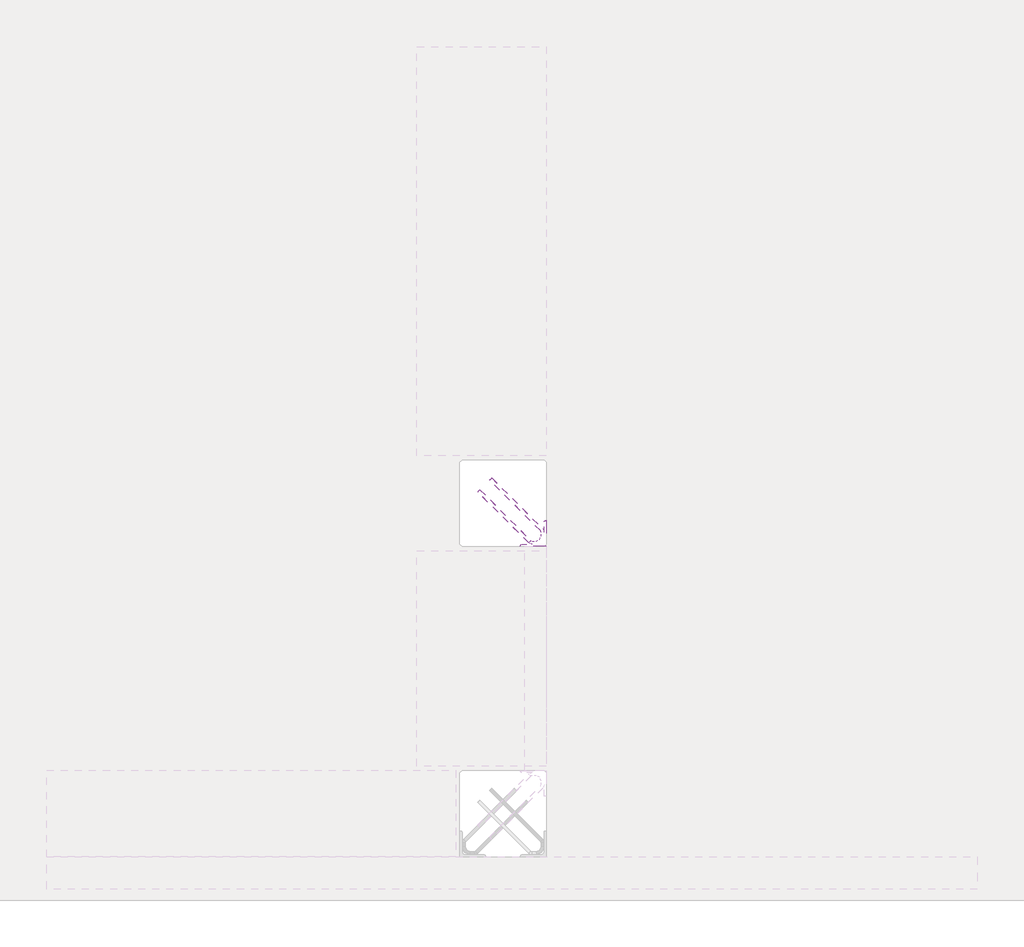
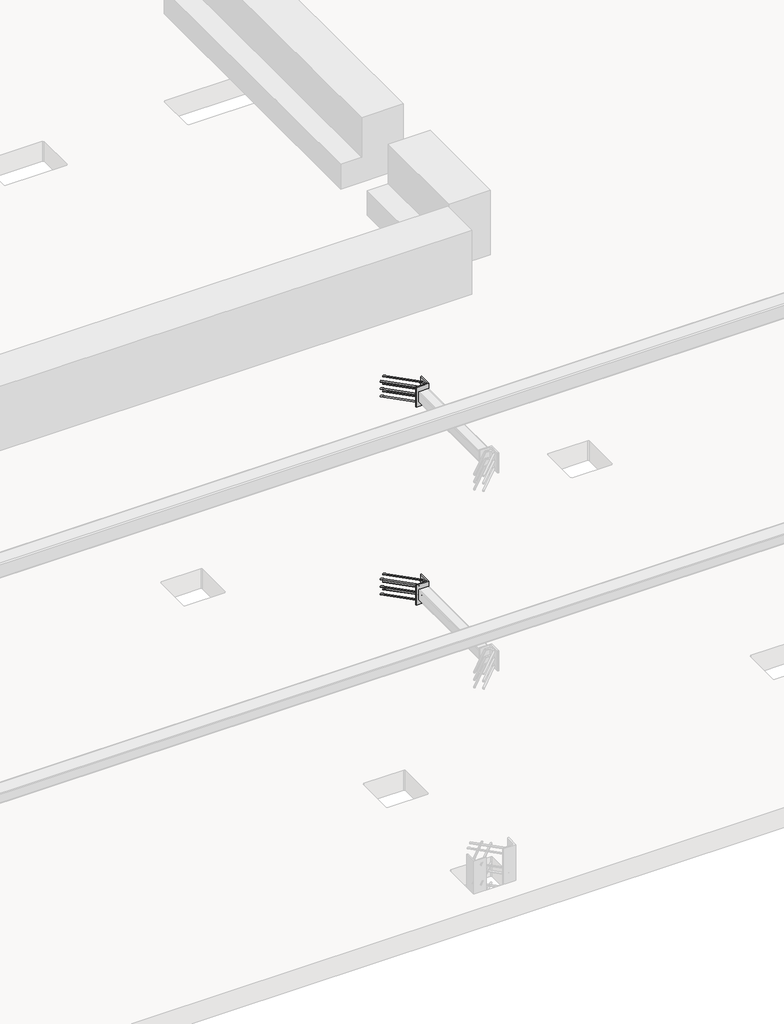
# One storey, part 19 of 65: 2 fasteners.
"""IFC4 building model written with IfcOpenShell, lengths in millimetres."""

from ifc_helpers import new_model, si_unit, point, frame, frame_2d, origin, place, context, project, spatial, polyline, circle_curve, ellipse_curve, trimmed, segment, composite_curve, outline, extrude, element, save
from ifc_brep_helpers import plane_surface, cylinder_surface, revolved_surface, advanced_brep

model = new_model("IFC4")

# Units and contexts
model_context = context("Model", 3, world=origin())
ifc_project = project(units=[si_unit("LENGTHUNIT", "METRE", prefix="MILLI")], contexts=[model_context])

# Site, building, storey
site = spatial("IfcSite", under=ifc_project)
building = spatial("IfcBuilding", under=site)
storey = spatial("IfcBuildingStorey", under=building, Elevation=0.0)

# Fasteners
placement = place(None, origin())
element("IfcFastener", 1, at=placement, inside=storey, context=model_context, shape_type="SolidModel", body=[
    extrude(outline(composite_curve([segment(polyline([(35350.0, 11240.0), (35230.0, 11240.0), (35230.0, 11243.5)]), True, "CONTINUOUS"), segment(trimmed(circle_curve(frame_2d((35236.5, 11243.5)), 6.5), [point((35230.0, 11243.5))], [point((35236.5, 11250.0))], False, "CARTESIAN"), True, "CONTINUOUS"), segment(polyline([(35236.5, 11250.0), (35327.0, 11250.0)]), True, "CONTINUOUS"), segment(trimmed(circle_curve(frame_2d((35327.0, 11263.0)), 13.0), [point((35327.0, 11250.0))], [point((35340.0, 11263.0))], True, "CARTESIAN"), True, "CONTINUOUS"), segment(polyline([(35340.0, 11263.0), (35340.0, 11353.5)]), True, "CONTINUOUS"), segment(trimmed(circle_curve(frame_2d((35346.5, 11353.5)), 6.5), [point((35340.0, 11353.5))], [point((35346.5, 11360.0))], False, "CARTESIAN"), True, "CONTINUOUS"), segment(polyline([(35346.5, 11360.0), (35350.0, 11360.0), (35350.0, 11240.0)]), True, "CONTINUOUS")], self_intersect=False)), frame((0.0, 0.0, 1950.0), z_axis=(0.0, 0.0, 1.0), x_axis=(1.0, 0.0, 0.0)), (0.0, 0.0, 1.0), 200.0),
    advanced_brep(
    [(35097.4623741, 11557.4371209, 2125.0), (35087.5628791, 11547.5376259, 2125.0), (35032.5628791, 11492.5376259, 2125.0), (35042.4623741, 11502.4371209, 2125.0), (35303.0, 11264.0, 2125.0), (35303.0, 11250.0, 2125.0), (35284.2132034, 11250.0, 2125.0), (35284.2132034, 11264.0, 2125.0), (35326.0, 11287.0, 2125.0), (35340.0, 11287.0, 2125.0), (35326.0, 11305.7867966, 2125.0), (35340.0, 11305.7867966, 2125.0), (35333.5563492, 11321.3431458, 2125.0), (35323.6568543, 11311.4436508, 2125.0), (35278.5563492, 11266.3431458, 2125.0), (35268.6568543, 11256.4436508, 2125.0)],
    [
        (0, 1, circle_curve(frame((35092.5126266, 11552.4873734, 2125.0), z_axis=(-0.7071067811865459, 0.7071067811865493, 0.0), x_axis=(-0.7071067811865493, -0.7071067811865459, 0.0)), 7.0)),
        (1, 0, circle_curve(frame((35092.5126266, 11552.4873734, 2125.0), z_axis=(-0.7071067811865459, 0.7071067811865493, 0.0), x_axis=(-0.7071067811865493, -0.7071067811865459, 0.0)), 7.0)),
        (2, 3, circle_curve(frame((35037.5126266, 11497.4873734, 2125.0), z_axis=(-0.7071067811865457, 0.7071067811865493, 0.0), x_axis=(0.7071067811865493, 0.7071067811865457, 0.0)), 7.0)),
        (3, 2, circle_curve(frame((35037.5126266, 11497.4873734, 2125.0), z_axis=(-0.7071067811865457, 0.7071067811865493, 0.0), x_axis=(0.7071067811865493, 0.7071067811865457, 0.0)), 7.0)),
        (4, 5, circle_curve(frame((35303.0, 11257.0, 2125.0), z_axis=(-1.0, 0.0, 0.0), x_axis=(0.0, 1.0, 0.0)), 7.0)),
        (5, 6),
        (6, 7, circle_curve(frame((35284.2132034, 11257.0, 2125.0), z_axis=(1.0, 0.0, 0.0), x_axis=(0.0, 1.0, 0.0)), 7.0)),
        (7, 4),
        (5, 4, circle_curve(frame((35303.0, 11257.0, 2125.0), z_axis=(-1.0, 0.0, 0.0), x_axis=(0.0, 1.0, 0.0)), 7.0)),
        (7, 6, circle_curve(frame((35284.2132034, 11257.0, 2125.0), z_axis=(1.0, 0.0, 0.0), x_axis=(0.0, 1.0, 0.0)), 7.0)),
        (4, 8, circle_curve(frame((35303.0, 11287.0, 2125.0), z_axis=(0.0, 0.0, 1.0), x_axis=(1.0, 0.0, 0.0)), 23.0)),
        (8, 9, circle_curve(frame((35333.0, 11287.0, 2125.0), z_axis=(0.0, -1.0, 0.0), x_axis=(-1.0, 0.0, 0.0)), 7.0)),
        (9, 5, circle_curve(frame((35303.0, 11287.0, 2125.0), z_axis=(0.0, 0.0, -1.0), x_axis=(1.0, 0.0, 0.0)), 37.0)),
        (9, 8, circle_curve(frame((35333.0, 11287.0, 2125.0), z_axis=(0.0, -1.0, 0.0), x_axis=(-1.0, 0.0, 0.0)), 7.0)),
        (10, 11, circle_curve(frame((35333.0, 11305.7867966, 2125.0), z_axis=(0.0, -1.0, 0.0), x_axis=(-1.0, 0.0, 0.0)), 7.0)),
        (11, 9),
        (8, 10),
        (11, 10, circle_curve(frame((35333.0, 11305.7867966, 2125.0), z_axis=(0.0, -1.0, 0.0), x_axis=(-1.0, 0.0, 0.0)), 7.0)),
        (0, 12),
        (12, 13, circle_curve(frame((35328.6066017, 11316.3933983, 2125.0), z_axis=(-0.7071067811865459, 0.7071067811865493, 0.0), x_axis=(-0.7071067811865493, -0.7071067811865459, 0.0)), 7.0)),
        (13, 1),
        (13, 12, circle_curve(frame((35328.6066017, 11316.3933983, 2125.0), z_axis=(-0.7071067811865459, 0.7071067811865493, 0.0), x_axis=(-0.7071067811865493, -0.7071067811865459, 0.0)), 7.0)),
        (10, 13, circle_curve(frame((35318.0, 11305.7867966, 2125.0), z_axis=(0.0, 0.0, 1.0), x_axis=(0.7071067811865491, 0.7071067811865459, 0.0)), 8.0)),
        (12, 11, circle_curve(frame((35318.0, 11305.7867966, 2125.0), z_axis=(0.0, 0.0, -1.0), x_axis=(0.7071067811865491, 0.7071067811865459, 0.0)), 22.0)),
        (14, 7, circle_curve(frame((35284.2132034, 11272.0, 2125.0), z_axis=(0.0, 0.0, 1.0), x_axis=(0.0, -1.0, 0.0)), 8.0)),
        (6, 15, circle_curve(frame((35284.2132034, 11272.0, 2125.0), z_axis=(0.0, 0.0, -1.0), x_axis=(0.0, -1.0, 0.0)), 22.0)),
        (15, 14, circle_curve(frame((35273.6066017, 11261.3933983, 2125.0), z_axis=(0.7071067811865456, -0.7071067811865495, 0.0), x_axis=(0.7071067811865495, 0.7071067811865456, 0.0)), 7.0)),
        (14, 15, circle_curve(frame((35273.6066017, 11261.3933983, 2125.0), z_axis=(0.707106781186545, -0.70710678118655, 0.0), x_axis=(0.70710678118655, 0.707106781186545, 0.0)), 7.0)),
        (15, 2),
        (3, 14),
    ],
    [
        plane_surface(frame((35092.5126266, 11552.4873734, 2125.0), z_axis=(-0.7071067811865459, 0.7071067811865493, 0.0), x_axis=(0.0, 0.0, -1.0))),
        plane_surface(frame((35037.5126266, 11497.4873734, 2125.0), z_axis=(-0.7071067811865457, 0.7071067811865493, 0.0), x_axis=(0.0, 0.0, -1.0))),
        cylinder_surface(frame((35303.0, 11257.0, 2125.0), z_axis=(1.0, 0.0, 0.0), x_axis=(0.0, 1.0, 0.0)), 7.0),
        revolved_surface(trimmed(ellipse_curve(frame((35333.0, 11287.0, 2125.0), z_axis=(0.0, 1.0, 0.0), x_axis=(-1.0, 0.0, 0.0)), 7.0, 7.0), [point((35340.0, 11287.0, 2125.0))], [point((35326.0, 11287.0, 2125.0))], True, "CARTESIAN"), (35303.0, 11287.0, 2125.0), (0.0, 0.0, -1.0)),
        revolved_surface(trimmed(ellipse_curve(frame((35333.0, 11287.0, 2125.0), z_axis=(0.0, 1.0, 0.0), x_axis=(-1.0, 0.0, 0.0)), 7.0, 7.0), [point((35326.0, 11287.0, 2125.0))], [point((35340.0, 11287.0, 2125.0))], True, "CARTESIAN"), (35303.0, 11287.0, 2125.0), (0.0, 0.0, -1.0)),
        cylinder_surface(frame((35333.0, 11305.7867966, 2125.0), z_axis=(0.0, 1.0, 0.0), x_axis=(-1.0, 0.0, 0.0)), 7.0),
        cylinder_surface(frame((35092.5126266, 11552.4873734, 2125.0), z_axis=(-0.7071067811865459, 0.7071067811865493, 0.0), x_axis=(-0.7071067811865493, -0.7071067811865459, 0.0)), 7.0),
        revolved_surface(trimmed(ellipse_curve(frame((35328.6066017, 11316.3933983, 2125.0), z_axis=(-0.7071067811865459, 0.7071067811865491, 0.0), x_axis=(-0.7071067811865491, -0.7071067811865459, 0.0)), 7.0, 7.0), [point((35333.5563492, 11321.3431458, 2125.0))], [point((35323.6568543, 11311.4436508, 2125.0))], True, "CARTESIAN"), (35318.0, 11305.7867966, 2125.0), (0.0, 0.0, -1.0)),
        revolved_surface(trimmed(ellipse_curve(frame((35328.6066017, 11316.3933983, 2125.0), z_axis=(-0.7071067811865459, 0.7071067811865491, 0.0), x_axis=(-0.7071067811865491, -0.7071067811865459, 0.0)), 7.0, 7.0), [point((35323.6568543, 11311.4436508, 2125.0))], [point((35333.5563492, 11321.3431458, 2125.0))], True, "CARTESIAN"), (35318.0, 11305.7867966, 2125.0), (0.0, 0.0, -1.0)),
        revolved_surface(trimmed(ellipse_curve(frame((35284.2132034, 11257.0, 2125.0), z_axis=(1.0, 0.0, 0.0), x_axis=(0.0, 1.0, 0.0)), 7.0, 7.0), [point((35284.2132034, 11250.0, 2125.0))], [point((35284.2132034, 11264.0, 2125.0))], True, "CARTESIAN"), (35284.2132034, 11272.0, 2125.0), (0.0, 0.0, -1.0)),
        revolved_surface(trimmed(ellipse_curve(frame((35284.2132034, 11257.0, 2125.0), z_axis=(1.0, 0.0, 0.0), x_axis=(0.0, 1.0, 0.0)), 7.0, 7.0), [point((35284.2132034, 11264.0, 2125.0))], [point((35284.2132034, 11250.0, 2125.0))], True, "CARTESIAN"), (35284.2132034, 11272.0, 2125.0), (0.0, 0.0, -1.0)),
        cylinder_surface(frame((35273.6066017, 11261.3933983, 2125.0), z_axis=(0.7071067811865457, -0.7071067811865493, 0.0), x_axis=(0.7071067811865493, 0.7071067811865457, 0.0)), 7.0),
    ],
    [
        (0, [[1, 2]]),
        (1, [[3, 4]]),
        (2, [[5, 6, 7, 8]]),
        (2, [[9, -8, 10, -6]]),
        (3, [[11, 12, 13, -5]]),
        (4, [[-13, 14, -11, -9]]),
        (5, [[15, 16, -12, 17]]),
        (5, [[18, -17, -14, -16]]),
        (6, [[-1, 19, 20, 21]]),
        (6, [[-2, -21, 22, -19]]),
        (7, [[23, -20, 24, -15]]),
        (8, [[-24, -22, -23, -18]]),
        (9, [[25, -7, 26, 27]]),
        (10, [[-26, -10, -25, 28]]),
        (11, [[-27, 29, -4, 30]]),
        (11, [[-28, -30, -3, -29]]),
    ],
),
    advanced_brep(
    [(35087.5628791, 11547.5376259, 1975.0), (35097.4623741, 11557.4371209, 1975.0), (35042.4623741, 11502.4371209, 1975.0), (35032.5628791, 11492.5376259, 1975.0), (35303.0, 11250.0, 1975.0), (35303.0, 11264.0, 1975.0), (35284.2132034, 11264.0, 1975.0), (35284.2132034, 11250.0, 1975.0), (35340.0, 11287.0, 1975.0), (35326.0, 11287.0, 1975.0), (35340.0, 11305.7867966, 1975.0), (35326.0, 11305.7867966, 1975.0), (35323.6568543, 11311.4436508, 1975.0), (35333.5563492, 11321.3431458, 1975.0), (35268.6568543, 11256.4436508, 1975.0), (35278.5563492, 11266.3431458, 1975.0)],
    [
        (0, 1, circle_curve(frame((35092.5126266, 11552.4873734, 1975.0), z_axis=(-0.7071067811865459, 0.7071067811865493, 0.0), x_axis=(0.7071067811865493, 0.7071067811865459, 0.0)), 7.0)),
        (1, 0, circle_curve(frame((35092.5126266, 11552.4873734, 1975.0), z_axis=(-0.7071067811865459, 0.7071067811865493, 0.0), x_axis=(0.7071067811865493, 0.7071067811865459, 0.0)), 7.0)),
        (2, 3, circle_curve(frame((35037.5126266, 11497.4873734, 1975.0), z_axis=(-0.7071067811865458, 0.7071067811865493, 0.0), x_axis=(-0.7071067811865493, -0.7071067811865458, 0.0)), 7.0)),
        (3, 2, circle_curve(frame((35037.5126266, 11497.4873734, 1975.0), z_axis=(-0.7071067811865458, 0.7071067811865493, 0.0), x_axis=(-0.7071067811865493, -0.7071067811865458, 0.0)), 7.0)),
        (4, 5, circle_curve(frame((35303.0, 11257.0, 1975.0), z_axis=(-1.0, 0.0, 0.0), x_axis=(0.0, -1.0, 0.0)), 7.0)),
        (5, 6),
        (6, 7, circle_curve(frame((35284.2132034, 11257.0, 1975.0), z_axis=(1.0, 0.0, 0.0), x_axis=(0.0, -1.0, 0.0)), 7.0)),
        (7, 4),
        (5, 4, circle_curve(frame((35303.0, 11257.0, 1975.0), z_axis=(-1.0, 0.0, 0.0), x_axis=(0.0, -1.0, 0.0)), 7.0)),
        (7, 6, circle_curve(frame((35284.2132034, 11257.0, 1975.0), z_axis=(1.0, 0.0, 0.0), x_axis=(0.0, -1.0, 0.0)), 7.0)),
        (4, 8, circle_curve(frame((35303.0, 11287.0, 1975.0), z_axis=(0.0, 0.0, 1.0), x_axis=(1.0, 0.0, 0.0)), 37.0)),
        (8, 9, circle_curve(frame((35333.0, 11287.0, 1975.0), z_axis=(0.0, -1.0, 0.0), x_axis=(1.0, 0.0, 0.0)), 7.0)),
        (9, 5, circle_curve(frame((35303.0, 11287.0, 1975.0), z_axis=(0.0, 0.0, -1.0), x_axis=(1.0, 0.0, 0.0)), 23.0)),
        (9, 8, circle_curve(frame((35333.0, 11287.0, 1975.0), z_axis=(0.0, -1.0, 0.0), x_axis=(1.0, 0.0, 0.0)), 7.0)),
        (10, 11, circle_curve(frame((35333.0, 11305.7867966, 1975.0), z_axis=(0.0, -1.0, 0.0), x_axis=(1.0, 0.0, 0.0)), 7.0)),
        (11, 9),
        (8, 10),
        (11, 10, circle_curve(frame((35333.0, 11305.7867966, 1975.0), z_axis=(0.0, -1.0, 0.0), x_axis=(1.0, 0.0, 0.0)), 7.0)),
        (0, 12),
        (12, 13, circle_curve(frame((35328.6066017, 11316.3933983, 1975.0), z_axis=(-0.7071067811865459, 0.7071067811865493, 0.0), x_axis=(0.7071067811865493, 0.7071067811865459, 0.0)), 7.0)),
        (13, 1),
        (13, 12, circle_curve(frame((35328.6066017, 11316.3933983, 1975.0), z_axis=(-0.7071067811865459, 0.7071067811865493, 0.0), x_axis=(0.7071067811865493, 0.7071067811865459, 0.0)), 7.0)),
        (10, 13, circle_curve(frame((35318.0, 11305.7867966, 1975.0), z_axis=(0.0, 0.0, 1.0), x_axis=(0.7071067811865491, 0.7071067811865459, 0.0)), 22.0)),
        (12, 11, circle_curve(frame((35318.0, 11305.7867966, 1975.0), z_axis=(0.0, 0.0, -1.0), x_axis=(0.7071067811865491, 0.7071067811865459, 0.0)), 8.0)),
        (14, 7, circle_curve(frame((35284.2132034, 11272.0, 1975.0), z_axis=(0.0, 0.0, 1.0), x_axis=(0.0, -1.0, 0.0)), 22.0)),
        (6, 15, circle_curve(frame((35284.2132034, 11272.0, 1975.0), z_axis=(0.0, 0.0, -1.0), x_axis=(0.0, -1.0, 0.0)), 8.0)),
        (15, 14, circle_curve(frame((35273.6066017, 11261.3933983, 1975.0), z_axis=(0.7071067811865442, -0.7071067811865508, 0.0), x_axis=(-0.7071067811865508, -0.7071067811865442, 0.0)), 7.0)),
        (14, 15, circle_curve(frame((35273.6066017, 11261.3933983, 1975.0), z_axis=(0.707106781186545, -0.70710678118655, 0.0), x_axis=(-0.70710678118655, -0.707106781186545, 0.0)), 7.0)),
        (15, 2),
        (3, 14),
    ],
    [
        plane_surface(frame((35092.5126266, 11552.4873734, 1975.0), z_axis=(-0.7071067811865459, 0.7071067811865493, 0.0), x_axis=(0.0, 0.0, 1.0))),
        plane_surface(frame((35037.5126266, 11497.4873734, 1975.0), z_axis=(-0.7071067811865458, 0.7071067811865493, 0.0), x_axis=(0.0, 0.0, 1.0))),
        cylinder_surface(frame((35303.0, 11257.0, 1975.0), z_axis=(1.0, 0.0, 0.0), x_axis=(0.0, -1.0, 0.0)), 7.0),
        revolved_surface(trimmed(ellipse_curve(frame((35333.0, 11287.0, 1975.0), z_axis=(0.0, 1.0, 0.0), x_axis=(1.0, 0.0, 0.0)), 7.0, 7.0), [point((35326.0, 11287.0, 1975.0))], [point((35340.0, 11287.0, 1975.0))], True, "CARTESIAN"), (35303.0, 11287.0, 1975.0), (0.0, 0.0, -1.0)),
        revolved_surface(trimmed(ellipse_curve(frame((35333.0, 11287.0, 1975.0), z_axis=(0.0, 1.0, 0.0), x_axis=(1.0, 0.0, 0.0)), 7.0, 7.0), [point((35340.0, 11287.0, 1975.0))], [point((35326.0, 11287.0, 1975.0))], True, "CARTESIAN"), (35303.0, 11287.0, 1975.0), (0.0, 0.0, -1.0)),
        cylinder_surface(frame((35333.0, 11305.7867966, 1975.0), z_axis=(0.0, 1.0, 0.0), x_axis=(1.0, 0.0, 0.0)), 7.0),
        cylinder_surface(frame((35092.5126266, 11552.4873734, 1975.0), z_axis=(-0.7071067811865459, 0.7071067811865493, 0.0), x_axis=(0.7071067811865493, 0.7071067811865459, 0.0)), 7.0),
        revolved_surface(trimmed(ellipse_curve(frame((35328.6066017, 11316.3933983, 1975.0), z_axis=(-0.7071067811865459, 0.7071067811865491, 0.0), x_axis=(0.7071067811865491, 0.7071067811865459, 0.0)), 7.0, 7.0), [point((35323.6568543, 11311.4436508, 1975.0))], [point((35333.5563492, 11321.3431458, 1975.0))], True, "CARTESIAN"), (35318.0, 11305.7867966, 1975.0), (0.0, 0.0, -1.0)),
        revolved_surface(trimmed(ellipse_curve(frame((35328.6066017, 11316.3933983, 1975.0), z_axis=(-0.7071067811865459, 0.7071067811865491, 0.0), x_axis=(0.7071067811865491, 0.7071067811865459, 0.0)), 7.0, 7.0), [point((35333.5563492, 11321.3431458, 1975.0))], [point((35323.6568543, 11311.4436508, 1975.0))], True, "CARTESIAN"), (35318.0, 11305.7867966, 1975.0), (0.0, 0.0, -1.0)),
        revolved_surface(trimmed(ellipse_curve(frame((35284.2132034, 11257.0, 1975.0), z_axis=(1.0, 0.0, 0.0), x_axis=(0.0, -1.0, 0.0)), 7.0, 7.0), [point((35284.2132034, 11264.0, 1975.0))], [point((35284.2132034, 11250.0, 1975.0))], True, "CARTESIAN"), (35284.2132034, 11272.0, 1975.0), (0.0, 0.0, -1.0)),
        revolved_surface(trimmed(ellipse_curve(frame((35284.2132034, 11257.0, 1975.0), z_axis=(1.0, 0.0, 0.0), x_axis=(0.0, -1.0, 0.0)), 7.0, 7.0), [point((35284.2132034, 11250.0, 1975.0))], [point((35284.2132034, 11264.0, 1975.0))], True, "CARTESIAN"), (35284.2132034, 11272.0, 1975.0), (0.0, 0.0, -1.0)),
        cylinder_surface(frame((35273.6066017, 11261.3933983, 1975.0), z_axis=(0.7071067811865458, -0.7071067811865493, 0.0), x_axis=(-0.7071067811865493, -0.7071067811865458, 0.0)), 7.0),
    ],
    [
        (0, [[1, 2]]),
        (1, [[3, 4]]),
        (2, [[5, 6, 7, 8]]),
        (2, [[9, -8, 10, -6]]),
        (3, [[11, 12, 13, -5]]),
        (4, [[-13, 14, -11, -9]]),
        (5, [[15, 16, -12, 17]]),
        (5, [[18, -17, -14, -16]]),
        (6, [[-1, 19, 20, 21]]),
        (6, [[-2, -21, 22, -19]]),
        (7, [[23, -20, 24, -15]]),
        (8, [[-24, -22, -23, -18]]),
        (9, [[25, -7, 26, 27]]),
        (10, [[-26, -10, -25, 28]]),
        (11, [[-27, 29, -4, 30]]),
        (11, [[-28, -30, -3, -29]]),
    ],
),
    advanced_brep(
    [(35087.5628791, 11547.5376259, 2050.0), (35097.4623741, 11557.4371209, 2050.0), (35042.4623741, 11502.4371209, 2050.0), (35032.5628791, 11492.5376259, 2050.0), (35303.0, 11250.0, 2050.0), (35303.0, 11264.0, 2050.0), (35284.2132034, 11264.0, 2050.0), (35284.2132034, 11250.0, 2050.0), (35340.0, 11287.0, 2050.0), (35326.0, 11287.0, 2050.0), (35340.0, 11305.7867966, 2050.0), (35326.0, 11305.7867966, 2050.0), (35323.6568543, 11311.4436508, 2050.0), (35333.5563492, 11321.3431458, 2050.0), (35268.6568543, 11256.4436508, 2050.0), (35278.5563492, 11266.3431458, 2050.0)],
    [
        (0, 1, circle_curve(frame((35092.5126266, 11552.4873734, 2050.0), z_axis=(-0.7071067811865458, 0.7071067811865492, 0.0), x_axis=(0.7071067811865492, 0.7071067811865458, 0.0)), 7.0)),
        (1, 0, circle_curve(frame((35092.5126266, 11552.4873734, 2050.0), z_axis=(-0.7071067811865458, 0.7071067811865492, 0.0), x_axis=(0.7071067811865492, 0.7071067811865458, 0.0)), 7.0)),
        (2, 3, circle_curve(frame((35037.5126266, 11497.4873734, 2050.0), z_axis=(-0.7071067811865458, 0.7071067811865493, 0.0), x_axis=(-0.7071067811865493, -0.7071067811865458, 0.0)), 7.0)),
        (3, 2, circle_curve(frame((35037.5126266, 11497.4873734, 2050.0), z_axis=(-0.7071067811865458, 0.7071067811865493, 0.0), x_axis=(-0.7071067811865493, -0.7071067811865458, 0.0)), 7.0)),
        (4, 5, circle_curve(frame((35303.0, 11257.0, 2050.0), z_axis=(-1.0, 0.0, 0.0), x_axis=(0.0, -1.0, 0.0)), 7.0)),
        (5, 6),
        (6, 7, circle_curve(frame((35284.2132034, 11257.0, 2050.0), z_axis=(1.0, 0.0, 0.0), x_axis=(0.0, -1.0, 0.0)), 7.0)),
        (7, 4),
        (5, 4, circle_curve(frame((35303.0, 11257.0, 2050.0), z_axis=(-1.0, 0.0, 0.0), x_axis=(0.0, -1.0, 0.0)), 7.0)),
        (7, 6, circle_curve(frame((35284.2132034, 11257.0, 2050.0), z_axis=(1.0, 0.0, 0.0), x_axis=(0.0, -1.0, 0.0)), 7.0)),
        (4, 8, circle_curve(frame((35303.0, 11287.0, 2050.0), z_axis=(0.0, 0.0, 1.0), x_axis=(1.0, 0.0, 0.0)), 37.0)),
        (8, 9, circle_curve(frame((35333.0, 11287.0, 2050.0), z_axis=(0.0, -1.0, 0.0), x_axis=(1.0, 0.0, 0.0)), 7.0)),
        (9, 5, circle_curve(frame((35303.0, 11287.0, 2050.0), z_axis=(0.0, 0.0, -1.0), x_axis=(1.0, 0.0, 0.0)), 23.0)),
        (9, 8, circle_curve(frame((35333.0, 11287.0, 2050.0), z_axis=(0.0, -1.0, 0.0), x_axis=(1.0, 0.0, 0.0)), 7.0)),
        (10, 11, circle_curve(frame((35333.0, 11305.7867966, 2050.0), z_axis=(0.0, -1.0, 0.0), x_axis=(1.0, 0.0, 0.0)), 7.0)),
        (11, 9),
        (8, 10),
        (11, 10, circle_curve(frame((35333.0, 11305.7867966, 2050.0), z_axis=(0.0, -1.0, 0.0), x_axis=(1.0, 0.0, 0.0)), 7.0)),
        (0, 12),
        (12, 13, circle_curve(frame((35328.6066017, 11316.3933983, 2050.0), z_axis=(-0.7071067811865458, 0.7071067811865492, 0.0), x_axis=(0.7071067811865492, 0.7071067811865458, 0.0)), 7.0)),
        (13, 1),
        (13, 12, circle_curve(frame((35328.6066017, 11316.3933983, 2050.0), z_axis=(-0.7071067811865458, 0.7071067811865492, 0.0), x_axis=(0.7071067811865492, 0.7071067811865458, 0.0)), 7.0)),
        (10, 13, circle_curve(frame((35318.0, 11305.7867966, 2050.0), z_axis=(0.0, 0.0, 1.0), x_axis=(0.7071067811865491, 0.7071067811865459, 0.0)), 22.0)),
        (12, 11, circle_curve(frame((35318.0, 11305.7867966, 2050.0), z_axis=(0.0, 0.0, -1.0), x_axis=(0.7071067811865491, 0.7071067811865459, 0.0)), 8.0)),
        (14, 7, circle_curve(frame((35284.2132034, 11272.0, 2050.0), z_axis=(0.0, 0.0, 1.0), x_axis=(0.0, -1.0, 0.0)), 22.0)),
        (6, 15, circle_curve(frame((35284.2132034, 11272.0, 2050.0), z_axis=(0.0, 0.0, -1.0), x_axis=(0.0, -1.0, 0.0)), 8.0)),
        (15, 14, circle_curve(frame((35273.6066017, 11261.3933983, 2050.0), z_axis=(0.7071067811865457, -0.7071067811865493, 0.0), x_axis=(-0.7071067811865493, -0.7071067811865457, 0.0)), 7.0)),
        (14, 15, circle_curve(frame((35273.6066017, 11261.3933983, 2050.0), z_axis=(0.7071067811865456, -0.7071067811865495, 0.0), x_axis=(-0.7071067811865495, -0.7071067811865456, 0.0)), 7.0)),
        (15, 2),
        (3, 14),
    ],
    [
        plane_surface(frame((35092.5126266, 11552.4873734, 2050.0), z_axis=(-0.7071067811865458, 0.7071067811865492, 0.0), x_axis=(0.0, 0.0, 1.0))),
        plane_surface(frame((35037.5126266, 11497.4873734, 2050.0), z_axis=(-0.7071067811865457, 0.7071067811865495, 0.0), x_axis=(0.0, 0.0, 1.0))),
        cylinder_surface(frame((35303.0, 11257.0, 2050.0), z_axis=(1.0, 0.0, 0.0), x_axis=(0.0, -1.0, 0.0)), 7.0),
        revolved_surface(trimmed(ellipse_curve(frame((35333.0, 11287.0, 2050.0), z_axis=(0.0, 1.0, 0.0), x_axis=(1.0, 0.0, 0.0)), 7.0, 7.0), [point((35326.0, 11287.0, 2050.0))], [point((35340.0, 11287.0, 2050.0))], True, "CARTESIAN"), (35303.0, 11287.0, 2050.0), (0.0, 0.0, -1.0)),
        revolved_surface(trimmed(ellipse_curve(frame((35333.0, 11287.0, 2050.0), z_axis=(0.0, 1.0, 0.0), x_axis=(1.0, 0.0, 0.0)), 7.0, 7.0), [point((35340.0, 11287.0, 2050.0))], [point((35326.0, 11287.0, 2050.0))], True, "CARTESIAN"), (35303.0, 11287.0, 2050.0), (0.0, 0.0, -1.0)),
        cylinder_surface(frame((35333.0, 11305.7867966, 2050.0), z_axis=(0.0, 1.0, 0.0), x_axis=(1.0, 0.0, 0.0)), 7.0),
        cylinder_surface(frame((35092.5126266, 11552.4873734, 2050.0), z_axis=(-0.7071067811865458, 0.7071067811865492, 0.0), x_axis=(0.7071067811865492, 0.7071067811865458, 0.0)), 7.0),
        revolved_surface(trimmed(ellipse_curve(frame((35328.6066017, 11316.3933983, 2050.0), z_axis=(-0.707106781186546, 0.707106781186549, 0.0), x_axis=(0.707106781186549, 0.707106781186546, 0.0)), 7.0, 7.0), [point((35323.6568543, 11311.4436508, 2050.0))], [point((35333.5563492, 11321.3431458, 2050.0))], True, "CARTESIAN"), (35318.0, 11305.7867966, 2050.0), (0.0, 0.0, -1.0)),
        revolved_surface(trimmed(ellipse_curve(frame((35328.6066017, 11316.3933983, 2050.0), z_axis=(-0.707106781186546, 0.707106781186549, 0.0), x_axis=(0.707106781186549, 0.707106781186546, 0.0)), 7.0, 7.0), [point((35333.5563492, 11321.3431458, 2050.0))], [point((35323.6568543, 11311.4436508, 2050.0))], True, "CARTESIAN"), (35318.0, 11305.7867966, 2050.0), (0.0, 0.0, -1.0)),
        revolved_surface(trimmed(ellipse_curve(frame((35284.2132034, 11257.0, 2050.0), z_axis=(1.0, 0.0, 0.0), x_axis=(0.0, -1.0, 0.0)), 7.0, 7.0), [point((35284.2132034, 11264.0, 2050.0))], [point((35284.2132034, 11250.0, 2050.0))], True, "CARTESIAN"), (35284.2132034, 11272.0, 2050.0), (0.0, 0.0, -1.0)),
        revolved_surface(trimmed(ellipse_curve(frame((35284.2132034, 11257.0, 2050.0), z_axis=(1.0, 0.0, 0.0), x_axis=(0.0, -1.0, 0.0)), 7.0, 7.0), [point((35284.2132034, 11250.0, 2050.0))], [point((35284.2132034, 11264.0, 2050.0))], True, "CARTESIAN"), (35284.2132034, 11272.0, 2050.0), (0.0, 0.0, -1.0)),
        cylinder_surface(frame((35273.6066017, 11261.3933983, 2050.0), z_axis=(0.7071067811865458, -0.7071067811865493, 0.0), x_axis=(-0.7071067811865493, -0.7071067811865458, 0.0)), 7.0),
    ],
    [
        (0, [[1, 2]]),
        (1, [[3, 4]]),
        (2, [[5, 6, 7, 8]]),
        (2, [[9, -8, 10, -6]]),
        (3, [[11, 12, 13, -5]]),
        (4, [[-13, 14, -11, -9]]),
        (5, [[15, 16, -12, 17]]),
        (5, [[18, -17, -14, -16]]),
        (6, [[-1, 19, 20, 21]]),
        (6, [[-2, -21, 22, -19]]),
        (7, [[23, -20, 24, -15]]),
        (8, [[-24, -22, -23, -18]]),
        (9, [[25, -7, 26, 27]]),
        (10, [[-26, -10, -25, 28]]),
        (11, [[-27, 29, -4, 30]]),
        (11, [[-28, -30, -3, -29]]),
    ],
),
])
element("IfcFastener", 2, at=placement, inside=storey, context=model_context, shape_type="SolidModel", body=[
    advanced_brep(
    [(35097.4623741, 11557.4371209, 4125.0), (35087.5628791, 11547.5376259, 4125.0), (35032.5628791, 11492.5376259, 4125.0), (35042.4623741, 11502.4371209, 4125.0), (35303.0, 11264.0, 4125.0), (35303.0, 11250.0, 4125.0), (35284.2132034, 11250.0, 4125.0), (35284.2132034, 11264.0, 4125.0), (35326.0, 11287.0, 4125.0), (35340.0, 11287.0, 4125.0), (35326.0, 11305.7867966, 4125.0), (35340.0, 11305.7867966, 4125.0), (35333.5563492, 11321.3431458, 4125.0), (35323.6568543, 11311.4436508, 4125.0), (35278.5563492, 11266.3431458, 4125.0), (35268.6568543, 11256.4436508, 4125.0)],
    [
        (0, 1, circle_curve(frame((35092.5126266, 11552.4873734, 4125.0), z_axis=(-0.7071067811865459, 0.7071067811865493, 0.0), x_axis=(-0.7071067811865493, -0.7071067811865459, 0.0)), 7.0)),
        (1, 0, circle_curve(frame((35092.5126266, 11552.4873734, 4125.0), z_axis=(-0.7071067811865459, 0.7071067811865493, 0.0), x_axis=(-0.7071067811865493, -0.7071067811865459, 0.0)), 7.0)),
        (2, 3, circle_curve(frame((35037.5126266, 11497.4873734, 4125.0), z_axis=(-0.7071067811865457, 0.7071067811865493, 0.0), x_axis=(0.7071067811865493, 0.7071067811865457, 0.0)), 7.0)),
        (3, 2, circle_curve(frame((35037.5126266, 11497.4873734, 4125.0), z_axis=(-0.7071067811865457, 0.7071067811865493, 0.0), x_axis=(0.7071067811865493, 0.7071067811865457, 0.0)), 7.0)),
        (4, 5, circle_curve(frame((35303.0, 11257.0, 4125.0), z_axis=(-1.0, 0.0, 0.0), x_axis=(0.0, 1.0, 0.0)), 7.0)),
        (5, 6),
        (6, 7, circle_curve(frame((35284.2132034, 11257.0, 4125.0), z_axis=(1.0, 0.0, 0.0), x_axis=(0.0, 1.0, 0.0)), 7.0)),
        (7, 4),
        (5, 4, circle_curve(frame((35303.0, 11257.0, 4125.0), z_axis=(-1.0, 0.0, 0.0), x_axis=(0.0, 1.0, 0.0)), 7.0)),
        (7, 6, circle_curve(frame((35284.2132034, 11257.0, 4125.0), z_axis=(1.0, 0.0, 0.0), x_axis=(0.0, 1.0, 0.0)), 7.0)),
        (4, 8, circle_curve(frame((35303.0, 11287.0, 4125.0), z_axis=(0.0, 0.0, 1.0), x_axis=(1.0, 0.0, 0.0)), 23.0)),
        (8, 9, circle_curve(frame((35333.0, 11287.0, 4125.0), z_axis=(0.0, -1.0, 0.0), x_axis=(-1.0, 0.0, 0.0)), 7.0)),
        (9, 5, circle_curve(frame((35303.0, 11287.0, 4125.0), z_axis=(0.0, 0.0, -1.0), x_axis=(1.0, 0.0, 0.0)), 37.0)),
        (9, 8, circle_curve(frame((35333.0, 11287.0, 4125.0), z_axis=(0.0, -1.0, 0.0), x_axis=(-1.0, 0.0, 0.0)), 7.0)),
        (10, 11, circle_curve(frame((35333.0, 11305.7867966, 4125.0), z_axis=(0.0, -1.0, 0.0), x_axis=(-1.0, 0.0, 0.0)), 7.0)),
        (11, 9),
        (8, 10),
        (11, 10, circle_curve(frame((35333.0, 11305.7867966, 4125.0), z_axis=(0.0, -1.0, 0.0), x_axis=(-1.0, 0.0, 0.0)), 7.0)),
        (0, 12),
        (12, 13, circle_curve(frame((35328.6066017, 11316.3933983, 4125.0), z_axis=(-0.7071067811865459, 0.7071067811865493, 0.0), x_axis=(-0.7071067811865493, -0.7071067811865459, 0.0)), 7.0)),
        (13, 1),
        (13, 12, circle_curve(frame((35328.6066017, 11316.3933983, 4125.0), z_axis=(-0.7071067811865459, 0.7071067811865493, 0.0), x_axis=(-0.7071067811865493, -0.7071067811865459, 0.0)), 7.0)),
        (10, 13, circle_curve(frame((35318.0, 11305.7867966, 4125.0), z_axis=(0.0, 0.0, 1.0), x_axis=(0.7071067811865491, 0.7071067811865459, 0.0)), 8.0)),
        (12, 11, circle_curve(frame((35318.0, 11305.7867966, 4125.0), z_axis=(0.0, 0.0, -1.0), x_axis=(0.7071067811865491, 0.7071067811865459, 0.0)), 22.0)),
        (14, 7, circle_curve(frame((35284.2132034, 11272.0, 4125.0), z_axis=(0.0, 0.0, 1.0), x_axis=(0.0, -1.0, 0.0)), 8.0)),
        (6, 15, circle_curve(frame((35284.2132034, 11272.0, 4125.0), z_axis=(0.0, 0.0, -1.0), x_axis=(0.0, -1.0, 0.0)), 22.0)),
        (15, 14, circle_curve(frame((35273.6066017, 11261.3933983, 4125.0), z_axis=(0.7071067811865456, -0.7071067811865495, 0.0), x_axis=(0.7071067811865495, 0.7071067811865456, 0.0)), 7.0)),
        (14, 15, circle_curve(frame((35273.6066017, 11261.3933983, 4125.0), z_axis=(0.707106781186545, -0.70710678118655, 0.0), x_axis=(0.70710678118655, 0.707106781186545, 0.0)), 7.0)),
        (15, 2),
        (3, 14),
    ],
    [
        plane_surface(frame((35092.5126266, 11552.4873734, 4125.0), z_axis=(-0.7071067811865459, 0.7071067811865493, 0.0), x_axis=(0.0, 0.0, -1.0))),
        plane_surface(frame((35037.5126266, 11497.4873734, 4125.0), z_axis=(-0.7071067811865457, 0.7071067811865493, 0.0), x_axis=(0.0, 0.0, -1.0))),
        cylinder_surface(frame((35303.0, 11257.0, 4125.0), z_axis=(1.0, 0.0, 0.0), x_axis=(0.0, 1.0, 0.0)), 7.0),
        revolved_surface(trimmed(ellipse_curve(frame((35333.0, 11287.0, 4125.0), z_axis=(0.0, 1.0, 0.0), x_axis=(-1.0, 0.0, 0.0)), 7.0, 7.0), [point((35340.0, 11287.0, 4125.0))], [point((35326.0, 11287.0, 4125.0))], True, "CARTESIAN"), (35303.0, 11287.0, 4125.0), (0.0, 0.0, -1.0)),
        revolved_surface(trimmed(ellipse_curve(frame((35333.0, 11287.0, 4125.0), z_axis=(0.0, 1.0, 0.0), x_axis=(-1.0, 0.0, 0.0)), 7.0, 7.0), [point((35326.0, 11287.0, 4125.0))], [point((35340.0, 11287.0, 4125.0))], True, "CARTESIAN"), (35303.0, 11287.0, 4125.0), (0.0, 0.0, -1.0)),
        cylinder_surface(frame((35333.0, 11305.7867966, 4125.0), z_axis=(0.0, 1.0, 0.0), x_axis=(-1.0, 0.0, 0.0)), 7.0),
        cylinder_surface(frame((35092.5126266, 11552.4873734, 4125.0), z_axis=(-0.7071067811865459, 0.7071067811865493, 0.0), x_axis=(-0.7071067811865493, -0.7071067811865459, 0.0)), 7.0),
        revolved_surface(trimmed(ellipse_curve(frame((35328.6066017, 11316.3933983, 4125.0), z_axis=(-0.7071067811865459, 0.7071067811865491, 0.0), x_axis=(-0.7071067811865491, -0.7071067811865459, 0.0)), 7.0, 7.0), [point((35333.5563492, 11321.3431458, 4125.0))], [point((35323.6568543, 11311.4436508, 4125.0))], True, "CARTESIAN"), (35318.0, 11305.7867966, 4125.0), (0.0, 0.0, -1.0)),
        revolved_surface(trimmed(ellipse_curve(frame((35328.6066017, 11316.3933983, 4125.0), z_axis=(-0.7071067811865459, 0.7071067811865491, 0.0), x_axis=(-0.7071067811865491, -0.7071067811865459, 0.0)), 7.0, 7.0), [point((35323.6568543, 11311.4436508, 4125.0))], [point((35333.5563492, 11321.3431458, 4125.0))], True, "CARTESIAN"), (35318.0, 11305.7867966, 4125.0), (0.0, 0.0, -1.0)),
        revolved_surface(trimmed(ellipse_curve(frame((35284.2132034, 11257.0, 4125.0), z_axis=(1.0, 0.0, 0.0), x_axis=(0.0, 1.0, 0.0)), 7.0, 7.0), [point((35284.2132034, 11250.0, 4125.0))], [point((35284.2132034, 11264.0, 4125.0))], True, "CARTESIAN"), (35284.2132034, 11272.0, 4125.0), (0.0, 0.0, -1.0)),
        revolved_surface(trimmed(ellipse_curve(frame((35284.2132034, 11257.0, 4125.0), z_axis=(1.0, 0.0, 0.0), x_axis=(0.0, 1.0, 0.0)), 7.0, 7.0), [point((35284.2132034, 11264.0, 4125.0))], [point((35284.2132034, 11250.0, 4125.0))], True, "CARTESIAN"), (35284.2132034, 11272.0, 4125.0), (0.0, 0.0, -1.0)),
        cylinder_surface(frame((35273.6066017, 11261.3933983, 4125.0), z_axis=(0.7071067811865457, -0.7071067811865493, 0.0), x_axis=(0.7071067811865493, 0.7071067811865457, 0.0)), 7.0),
    ],
    [
        (0, [[1, 2]]),
        (1, [[3, 4]]),
        (2, [[5, 6, 7, 8]]),
        (2, [[9, -8, 10, -6]]),
        (3, [[11, 12, 13, -5]]),
        (4, [[-13, 14, -11, -9]]),
        (5, [[15, 16, -12, 17]]),
        (5, [[18, -17, -14, -16]]),
        (6, [[-1, 19, 20, 21]]),
        (6, [[-2, -21, 22, -19]]),
        (7, [[23, -20, 24, -15]]),
        (8, [[-24, -22, -23, -18]]),
        (9, [[25, -7, 26, 27]]),
        (10, [[-26, -10, -25, 28]]),
        (11, [[-27, 29, -4, 30]]),
        (11, [[-28, -30, -3, -29]]),
    ],
),
    advanced_brep(
    [(35087.5628791, 11547.5376259, 3975.0), (35097.4623741, 11557.4371209, 3975.0), (35042.4623741, 11502.4371209, 3975.0), (35032.5628791, 11492.5376259, 3975.0), (35303.0, 11250.0, 3975.0), (35303.0, 11264.0, 3975.0), (35284.2132034, 11264.0, 3975.0), (35284.2132034, 11250.0, 3975.0), (35340.0, 11287.0, 3975.0), (35326.0, 11287.0, 3975.0), (35340.0, 11305.7867966, 3975.0), (35326.0, 11305.7867966, 3975.0), (35323.6568543, 11311.4436508, 3975.0), (35333.5563492, 11321.3431458, 3975.0), (35268.6568543, 11256.4436508, 3975.0), (35278.5563492, 11266.3431458, 3975.0)],
    [
        (0, 1, circle_curve(frame((35092.5126266, 11552.4873734, 3975.0), z_axis=(-0.7071067811865459, 0.7071067811865493, 0.0), x_axis=(0.7071067811865493, 0.7071067811865459, 0.0)), 7.0)),
        (1, 0, circle_curve(frame((35092.5126266, 11552.4873734, 3975.0), z_axis=(-0.7071067811865459, 0.7071067811865493, 0.0), x_axis=(0.7071067811865493, 0.7071067811865459, 0.0)), 7.0)),
        (2, 3, circle_curve(frame((35037.5126266, 11497.4873734, 3975.0), z_axis=(-0.7071067811865458, 0.7071067811865493, 0.0), x_axis=(-0.7071067811865493, -0.7071067811865458, 0.0)), 7.0)),
        (3, 2, circle_curve(frame((35037.5126266, 11497.4873734, 3975.0), z_axis=(-0.7071067811865458, 0.7071067811865493, 0.0), x_axis=(-0.7071067811865493, -0.7071067811865458, 0.0)), 7.0)),
        (4, 5, circle_curve(frame((35303.0, 11257.0, 3975.0), z_axis=(-1.0, 0.0, 0.0), x_axis=(0.0, -1.0, 0.0)), 7.0)),
        (5, 6),
        (6, 7, circle_curve(frame((35284.2132034, 11257.0, 3975.0), z_axis=(1.0, 0.0, 0.0), x_axis=(0.0, -1.0, 0.0)), 7.0)),
        (7, 4),
        (5, 4, circle_curve(frame((35303.0, 11257.0, 3975.0), z_axis=(-1.0, 0.0, 0.0), x_axis=(0.0, -1.0, 0.0)), 7.0)),
        (7, 6, circle_curve(frame((35284.2132034, 11257.0, 3975.0), z_axis=(1.0, 0.0, 0.0), x_axis=(0.0, -1.0, 0.0)), 7.0)),
        (4, 8, circle_curve(frame((35303.0, 11287.0, 3975.0), z_axis=(0.0, 0.0, 1.0), x_axis=(1.0, 0.0, 0.0)), 37.0)),
        (8, 9, circle_curve(frame((35333.0, 11287.0, 3975.0), z_axis=(0.0, -1.0, 0.0), x_axis=(1.0, 0.0, 0.0)), 7.0)),
        (9, 5, circle_curve(frame((35303.0, 11287.0, 3975.0), z_axis=(0.0, 0.0, -1.0), x_axis=(1.0, 0.0, 0.0)), 23.0)),
        (9, 8, circle_curve(frame((35333.0, 11287.0, 3975.0), z_axis=(0.0, -1.0, 0.0), x_axis=(1.0, 0.0, 0.0)), 7.0)),
        (10, 11, circle_curve(frame((35333.0, 11305.7867966, 3975.0), z_axis=(0.0, -1.0, 0.0), x_axis=(1.0, 0.0, 0.0)), 7.0)),
        (11, 9),
        (8, 10),
        (11, 10, circle_curve(frame((35333.0, 11305.7867966, 3975.0), z_axis=(0.0, -1.0, 0.0), x_axis=(1.0, 0.0, 0.0)), 7.0)),
        (0, 12),
        (12, 13, circle_curve(frame((35328.6066017, 11316.3933983, 3975.0), z_axis=(-0.7071067811865459, 0.7071067811865493, 0.0), x_axis=(0.7071067811865493, 0.7071067811865459, 0.0)), 7.0)),
        (13, 1),
        (13, 12, circle_curve(frame((35328.6066017, 11316.3933983, 3975.0), z_axis=(-0.7071067811865459, 0.7071067811865493, 0.0), x_axis=(0.7071067811865493, 0.7071067811865459, 0.0)), 7.0)),
        (10, 13, circle_curve(frame((35318.0, 11305.7867966, 3975.0), z_axis=(0.0, 0.0, 1.0), x_axis=(0.7071067811865491, 0.7071067811865459, 0.0)), 22.0)),
        (12, 11, circle_curve(frame((35318.0, 11305.7867966, 3975.0), z_axis=(0.0, 0.0, -1.0), x_axis=(0.7071067811865491, 0.7071067811865459, 0.0)), 8.0)),
        (14, 7, circle_curve(frame((35284.2132034, 11272.0, 3975.0), z_axis=(0.0, 0.0, 1.0), x_axis=(0.0, -1.0, 0.0)), 22.0)),
        (6, 15, circle_curve(frame((35284.2132034, 11272.0, 3975.0), z_axis=(0.0, 0.0, -1.0), x_axis=(0.0, -1.0, 0.0)), 8.0)),
        (15, 14, circle_curve(frame((35273.6066017, 11261.3933983, 3975.0), z_axis=(0.7071067811865442, -0.7071067811865508, 0.0), x_axis=(-0.7071067811865508, -0.7071067811865442, 0.0)), 7.0)),
        (14, 15, circle_curve(frame((35273.6066017, 11261.3933983, 3975.0), z_axis=(0.707106781186545, -0.70710678118655, 0.0), x_axis=(-0.70710678118655, -0.707106781186545, 0.0)), 7.0)),
        (15, 2),
        (3, 14),
    ],
    [
        plane_surface(frame((35092.5126266, 11552.4873734, 3975.0), z_axis=(-0.7071067811865459, 0.7071067811865493, 0.0), x_axis=(0.0, 0.0, 1.0))),
        plane_surface(frame((35037.5126266, 11497.4873734, 3975.0), z_axis=(-0.7071067811865458, 0.7071067811865493, 0.0), x_axis=(0.0, 0.0, 1.0))),
        cylinder_surface(frame((35303.0, 11257.0, 3975.0), z_axis=(1.0, 0.0, 0.0), x_axis=(0.0, -1.0, 0.0)), 7.0),
        revolved_surface(trimmed(ellipse_curve(frame((35333.0, 11287.0, 3975.0), z_axis=(0.0, 1.0, 0.0), x_axis=(1.0, 0.0, 0.0)), 7.0, 7.0), [point((35326.0, 11287.0, 3975.0))], [point((35340.0, 11287.0, 3975.0))], True, "CARTESIAN"), (35303.0, 11287.0, 3975.0), (0.0, 0.0, -1.0)),
        revolved_surface(trimmed(ellipse_curve(frame((35333.0, 11287.0, 3975.0), z_axis=(0.0, 1.0, 0.0), x_axis=(1.0, 0.0, 0.0)), 7.0, 7.0), [point((35340.0, 11287.0, 3975.0))], [point((35326.0, 11287.0, 3975.0))], True, "CARTESIAN"), (35303.0, 11287.0, 3975.0), (0.0, 0.0, -1.0)),
        cylinder_surface(frame((35333.0, 11305.7867966, 3975.0), z_axis=(0.0, 1.0, 0.0), x_axis=(1.0, 0.0, 0.0)), 7.0),
        cylinder_surface(frame((35092.5126266, 11552.4873734, 3975.0), z_axis=(-0.7071067811865459, 0.7071067811865493, 0.0), x_axis=(0.7071067811865493, 0.7071067811865459, 0.0)), 7.0),
        revolved_surface(trimmed(ellipse_curve(frame((35328.6066017, 11316.3933983, 3975.0), z_axis=(-0.7071067811865459, 0.7071067811865491, 0.0), x_axis=(0.7071067811865491, 0.7071067811865459, 0.0)), 7.0, 7.0), [point((35323.6568543, 11311.4436508, 3975.0))], [point((35333.5563492, 11321.3431458, 3975.0))], True, "CARTESIAN"), (35318.0, 11305.7867966, 3975.0), (0.0, 0.0, -1.0)),
        revolved_surface(trimmed(ellipse_curve(frame((35328.6066017, 11316.3933983, 3975.0), z_axis=(-0.7071067811865459, 0.7071067811865491, 0.0), x_axis=(0.7071067811865491, 0.7071067811865459, 0.0)), 7.0, 7.0), [point((35333.5563492, 11321.3431458, 3975.0))], [point((35323.6568543, 11311.4436508, 3975.0))], True, "CARTESIAN"), (35318.0, 11305.7867966, 3975.0), (0.0, 0.0, -1.0)),
        revolved_surface(trimmed(ellipse_curve(frame((35284.2132034, 11257.0, 3975.0), z_axis=(1.0, 0.0, 0.0), x_axis=(0.0, -1.0, 0.0)), 7.0, 7.0), [point((35284.2132034, 11264.0, 3975.0))], [point((35284.2132034, 11250.0, 3975.0))], True, "CARTESIAN"), (35284.2132034, 11272.0, 3975.0), (0.0, 0.0, -1.0)),
        revolved_surface(trimmed(ellipse_curve(frame((35284.2132034, 11257.0, 3975.0), z_axis=(1.0, 0.0, 0.0), x_axis=(0.0, -1.0, 0.0)), 7.0, 7.0), [point((35284.2132034, 11250.0, 3975.0))], [point((35284.2132034, 11264.0, 3975.0))], True, "CARTESIAN"), (35284.2132034, 11272.0, 3975.0), (0.0, 0.0, -1.0)),
        cylinder_surface(frame((35273.6066017, 11261.3933983, 3975.0), z_axis=(0.7071067811865458, -0.7071067811865493, 0.0), x_axis=(-0.7071067811865493, -0.7071067811865458, 0.0)), 7.0),
    ],
    [
        (0, [[1, 2]]),
        (1, [[3, 4]]),
        (2, [[5, 6, 7, 8]]),
        (2, [[9, -8, 10, -6]]),
        (3, [[11, 12, 13, -5]]),
        (4, [[-13, 14, -11, -9]]),
        (5, [[15, 16, -12, 17]]),
        (5, [[18, -17, -14, -16]]),
        (6, [[-1, 19, 20, 21]]),
        (6, [[-2, -21, 22, -19]]),
        (7, [[23, -20, 24, -15]]),
        (8, [[-24, -22, -23, -18]]),
        (9, [[25, -7, 26, 27]]),
        (10, [[-26, -10, -25, 28]]),
        (11, [[-27, 29, -4, 30]]),
        (11, [[-28, -30, -3, -29]]),
    ],
),
    advanced_brep(
    [(35087.5628791, 11547.5376259, 4050.0), (35097.4623741, 11557.4371209, 4050.0), (35042.4623741, 11502.4371209, 4050.0), (35032.5628791, 11492.5376259, 4050.0), (35303.0, 11250.0, 4050.0), (35303.0, 11264.0, 4050.0), (35284.2132034, 11264.0, 4050.0), (35284.2132034, 11250.0, 4050.0), (35340.0, 11287.0, 4050.0), (35326.0, 11287.0, 4050.0), (35340.0, 11305.7867966, 4050.0), (35326.0, 11305.7867966, 4050.0), (35323.6568543, 11311.4436508, 4050.0), (35333.5563492, 11321.3431458, 4050.0), (35268.6568543, 11256.4436508, 4050.0), (35278.5563492, 11266.3431458, 4050.0)],
    [
        (0, 1, circle_curve(frame((35092.5126266, 11552.4873734, 4050.0), z_axis=(-0.7071067811865458, 0.7071067811865492, 0.0), x_axis=(0.7071067811865492, 0.7071067811865458, 0.0)), 7.0)),
        (1, 0, circle_curve(frame((35092.5126266, 11552.4873734, 4050.0), z_axis=(-0.7071067811865458, 0.7071067811865492, 0.0), x_axis=(0.7071067811865492, 0.7071067811865458, 0.0)), 7.0)),
        (2, 3, circle_curve(frame((35037.5126266, 11497.4873734, 4050.0), z_axis=(-0.7071067811865458, 0.7071067811865493, 0.0), x_axis=(-0.7071067811865493, -0.7071067811865458, 0.0)), 7.0)),
        (3, 2, circle_curve(frame((35037.5126266, 11497.4873734, 4050.0), z_axis=(-0.7071067811865458, 0.7071067811865493, 0.0), x_axis=(-0.7071067811865493, -0.7071067811865458, 0.0)), 7.0)),
        (4, 5, circle_curve(frame((35303.0, 11257.0, 4050.0), z_axis=(-1.0, 0.0, 0.0), x_axis=(0.0, -1.0, 0.0)), 7.0)),
        (5, 6),
        (6, 7, circle_curve(frame((35284.2132034, 11257.0, 4050.0), z_axis=(1.0, 0.0, 0.0), x_axis=(0.0, -1.0, 0.0)), 7.0)),
        (7, 4),
        (5, 4, circle_curve(frame((35303.0, 11257.0, 4050.0), z_axis=(-1.0, 0.0, 0.0), x_axis=(0.0, -1.0, 0.0)), 7.0)),
        (7, 6, circle_curve(frame((35284.2132034, 11257.0, 4050.0), z_axis=(1.0, 0.0, 0.0), x_axis=(0.0, -1.0, 0.0)), 7.0)),
        (4, 8, circle_curve(frame((35303.0, 11287.0, 4050.0), z_axis=(0.0, 0.0, 1.0), x_axis=(1.0, 0.0, 0.0)), 37.0)),
        (8, 9, circle_curve(frame((35333.0, 11287.0, 4050.0), z_axis=(0.0, -1.0, 0.0), x_axis=(1.0, 0.0, 0.0)), 7.0)),
        (9, 5, circle_curve(frame((35303.0, 11287.0, 4050.0), z_axis=(0.0, 0.0, -1.0), x_axis=(1.0, 0.0, 0.0)), 23.0)),
        (9, 8, circle_curve(frame((35333.0, 11287.0, 4050.0), z_axis=(0.0, -1.0, 0.0), x_axis=(1.0, 0.0, 0.0)), 7.0)),
        (10, 11, circle_curve(frame((35333.0, 11305.7867966, 4050.0), z_axis=(0.0, -1.0, 0.0), x_axis=(1.0, 0.0, 0.0)), 7.0)),
        (11, 9),
        (8, 10),
        (11, 10, circle_curve(frame((35333.0, 11305.7867966, 4050.0), z_axis=(0.0, -1.0, 0.0), x_axis=(1.0, 0.0, 0.0)), 7.0)),
        (0, 12),
        (12, 13, circle_curve(frame((35328.6066017, 11316.3933983, 4050.0), z_axis=(-0.7071067811865458, 0.7071067811865492, 0.0), x_axis=(0.7071067811865492, 0.7071067811865458, 0.0)), 7.0)),
        (13, 1),
        (13, 12, circle_curve(frame((35328.6066017, 11316.3933983, 4050.0), z_axis=(-0.7071067811865458, 0.7071067811865492, 0.0), x_axis=(0.7071067811865492, 0.7071067811865458, 0.0)), 7.0)),
        (10, 13, circle_curve(frame((35318.0, 11305.7867966, 4050.0), z_axis=(0.0, 0.0, 1.0), x_axis=(0.7071067811865491, 0.7071067811865459, 0.0)), 22.0)),
        (12, 11, circle_curve(frame((35318.0, 11305.7867966, 4050.0), z_axis=(0.0, 0.0, -1.0), x_axis=(0.7071067811865491, 0.7071067811865459, 0.0)), 8.0)),
        (14, 7, circle_curve(frame((35284.2132034, 11272.0, 4050.0), z_axis=(0.0, 0.0, 1.0), x_axis=(0.0, -1.0, 0.0)), 22.0)),
        (6, 15, circle_curve(frame((35284.2132034, 11272.0, 4050.0), z_axis=(0.0, 0.0, -1.0), x_axis=(0.0, -1.0, 0.0)), 8.0)),
        (15, 14, circle_curve(frame((35273.6066017, 11261.3933983, 4050.0), z_axis=(0.7071067811865457, -0.7071067811865493, 0.0), x_axis=(-0.7071067811865493, -0.7071067811865457, 0.0)), 7.0)),
        (14, 15, circle_curve(frame((35273.6066017, 11261.3933983, 4050.0), z_axis=(0.7071067811865456, -0.7071067811865495, 0.0), x_axis=(-0.7071067811865495, -0.7071067811865456, 0.0)), 7.0)),
        (15, 2),
        (3, 14),
    ],
    [
        plane_surface(frame((35092.5126266, 11552.4873734, 4050.0), z_axis=(-0.7071067811865458, 0.7071067811865492, 0.0), x_axis=(0.0, 0.0, 1.0))),
        plane_surface(frame((35037.5126266, 11497.4873734, 4050.0), z_axis=(-0.7071067811865457, 0.7071067811865495, 0.0), x_axis=(0.0, 0.0, 1.0))),
        cylinder_surface(frame((35303.0, 11257.0, 4050.0), z_axis=(1.0, 0.0, 0.0), x_axis=(0.0, -1.0, 0.0)), 7.0),
        revolved_surface(trimmed(ellipse_curve(frame((35333.0, 11287.0, 4050.0), z_axis=(0.0, 1.0, 0.0), x_axis=(1.0, 0.0, 0.0)), 7.0, 7.0), [point((35326.0, 11287.0, 4050.0))], [point((35340.0, 11287.0, 4050.0))], True, "CARTESIAN"), (35303.0, 11287.0, 4050.0), (0.0, 0.0, -1.0)),
        revolved_surface(trimmed(ellipse_curve(frame((35333.0, 11287.0, 4050.0), z_axis=(0.0, 1.0, 0.0), x_axis=(1.0, 0.0, 0.0)), 7.0, 7.0), [point((35340.0, 11287.0, 4050.0))], [point((35326.0, 11287.0, 4050.0))], True, "CARTESIAN"), (35303.0, 11287.0, 4050.0), (0.0, 0.0, -1.0)),
        cylinder_surface(frame((35333.0, 11305.7867966, 4050.0), z_axis=(0.0, 1.0, 0.0), x_axis=(1.0, 0.0, 0.0)), 7.0),
        cylinder_surface(frame((35092.5126266, 11552.4873734, 4050.0), z_axis=(-0.7071067811865458, 0.7071067811865492, 0.0), x_axis=(0.7071067811865492, 0.7071067811865458, 0.0)), 7.0),
        revolved_surface(trimmed(ellipse_curve(frame((35328.6066017, 11316.3933983, 4050.0), z_axis=(-0.707106781186546, 0.707106781186549, 0.0), x_axis=(0.707106781186549, 0.707106781186546, 0.0)), 7.0, 7.0), [point((35323.6568543, 11311.4436508, 4050.0))], [point((35333.5563492, 11321.3431458, 4050.0))], True, "CARTESIAN"), (35318.0, 11305.7867966, 4050.0), (0.0, 0.0, -1.0)),
        revolved_surface(trimmed(ellipse_curve(frame((35328.6066017, 11316.3933983, 4050.0), z_axis=(-0.707106781186546, 0.707106781186549, 0.0), x_axis=(0.707106781186549, 0.707106781186546, 0.0)), 7.0, 7.0), [point((35333.5563492, 11321.3431458, 4050.0))], [point((35323.6568543, 11311.4436508, 4050.0))], True, "CARTESIAN"), (35318.0, 11305.7867966, 4050.0), (0.0, 0.0, -1.0)),
        revolved_surface(trimmed(ellipse_curve(frame((35284.2132034, 11257.0, 4050.0), z_axis=(1.0, 0.0, 0.0), x_axis=(0.0, -1.0, 0.0)), 7.0, 7.0), [point((35284.2132034, 11264.0, 4050.0))], [point((35284.2132034, 11250.0, 4050.0))], True, "CARTESIAN"), (35284.2132034, 11272.0, 4050.0), (0.0, 0.0, -1.0)),
        revolved_surface(trimmed(ellipse_curve(frame((35284.2132034, 11257.0, 4050.0), z_axis=(1.0, 0.0, 0.0), x_axis=(0.0, -1.0, 0.0)), 7.0, 7.0), [point((35284.2132034, 11250.0, 4050.0))], [point((35284.2132034, 11264.0, 4050.0))], True, "CARTESIAN"), (35284.2132034, 11272.0, 4050.0), (0.0, 0.0, -1.0)),
        cylinder_surface(frame((35273.6066017, 11261.3933983, 4050.0), z_axis=(0.7071067811865458, -0.7071067811865493, 0.0), x_axis=(-0.7071067811865493, -0.7071067811865458, 0.0)), 7.0),
    ],
    [
        (0, [[1, 2]]),
        (1, [[3, 4]]),
        (2, [[5, 6, 7, 8]]),
        (2, [[9, -8, 10, -6]]),
        (3, [[11, 12, 13, -5]]),
        (4, [[-13, 14, -11, -9]]),
        (5, [[15, 16, -12, 17]]),
        (5, [[18, -17, -14, -16]]),
        (6, [[-1, 19, 20, 21]]),
        (6, [[-2, -21, 22, -19]]),
        (7, [[23, -20, 24, -15]]),
        (8, [[-24, -22, -23, -18]]),
        (9, [[25, -7, 26, 27]]),
        (10, [[-26, -10, -25, 28]]),
        (11, [[-27, 29, -4, 30]]),
        (11, [[-28, -30, -3, -29]]),
    ],
),
    extrude(outline(composite_curve([segment(polyline([(35350.0, 11240.0), (35230.0, 11240.0), (35230.0, 11243.5)]), True, "CONTINUOUS"), segment(trimmed(circle_curve(frame_2d((35236.5, 11243.5)), 6.5), [point((35230.0, 11243.5))], [point((35236.5, 11250.0))], False, "CARTESIAN"), True, "CONTINUOUS"), segment(polyline([(35236.5, 11250.0), (35327.0, 11250.0)]), True, "CONTINUOUS"), segment(trimmed(circle_curve(frame_2d((35327.0, 11263.0)), 13.0), [point((35327.0, 11250.0))], [point((35340.0, 11263.0))], True, "CARTESIAN"), True, "CONTINUOUS"), segment(polyline([(35340.0, 11263.0), (35340.0, 11353.5)]), True, "CONTINUOUS"), segment(trimmed(circle_curve(frame_2d((35346.5, 11353.5)), 6.5), [point((35340.0, 11353.5))], [point((35346.5, 11360.0))], False, "CARTESIAN"), True, "CONTINUOUS"), segment(polyline([(35346.5, 11360.0), (35350.0, 11360.0), (35350.0, 11240.0)]), True, "CONTINUOUS")], self_intersect=False)), frame((0.0, 0.0, 3950.0), z_axis=(0.0, 0.0, 1.0), x_axis=(1.0, 0.0, 0.0)), (0.0, 0.0, 1.0), 200.0),
])

save(model, "model.ifc")
